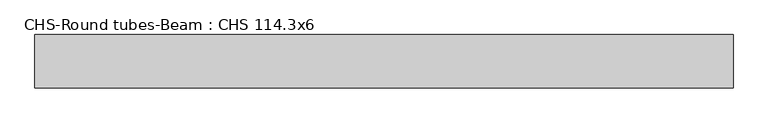
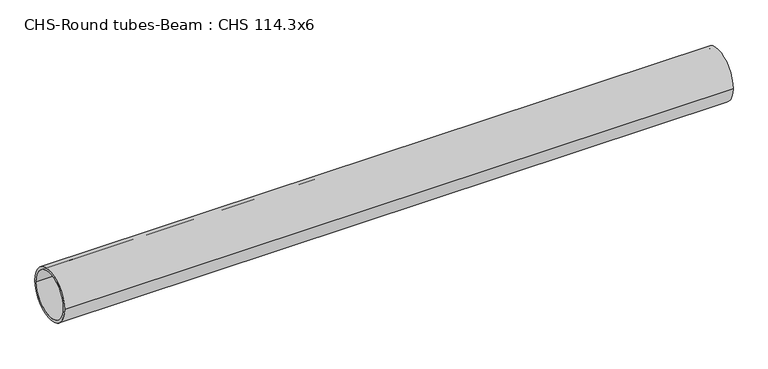
"""IFC4 building model written with IfcOpenShell, lengths in millimetres: beam geometry, CHS-Round tubes-Beam : CHS 114.3x6."""

from ifc_helpers import new_model, si_unit, point, frame, origin, origin_2d, place, context, project, spatial, circle_curve, trimmed, segment, composite_curve, outline, extrude, source, transform, mapped, element, save


def chs_round_tubes_beam_chs_114_3x6_121ddd39(model_context):
    return source(origin(), model_context, "Body", "SweptSolid", [
        extrude(outline(composite_curve([segment(trimmed(circle_curve(origin_2d(), 57.15), [point((57.15, 0.0))], [point((-57.15, 0.0))], False, "CARTESIAN"), True, "CONTINUOUS"), segment(trimmed(circle_curve(origin_2d(), 57.15), [point((-57.15, 0.0))], [point((57.15, 0.0))], False, "CARTESIAN"), True, "CONTINUOUS")], self_intersect=False), holes=[composite_curve([segment(trimmed(circle_curve(origin_2d(), 51.15), [point((51.15, 0.0))], [point((-51.15, 0.0))], True, "CARTESIAN"), True, "CONTINUOUS"), segment(trimmed(circle_curve(origin_2d(), 51.15), [point((-51.15, 0.0))], [point((51.15, 0.0))], True, "CARTESIAN"), True, "CONTINUOUS")], self_intersect=False)]), frame((-804.795315, 0.0, 0.0), z_axis=(1.0, 0.0, 0.0), x_axis=(0.0, 1.0, 0.0)), (0.0, 0.0, 1.0), 1490.0592864),
    ])


if __name__ == "__main__":
    model = new_model("IFC4")
    model_context = context("Model", 3, world=origin())
    ifc_project = project(units=[si_unit("LENGTHUNIT", "METRE", prefix="MILLI")], contexts=[model_context])
    site = spatial("IfcSite", under=ifc_project)
    building = spatial("IfcBuilding", under=site)
    placement = place(None, origin())
    chs_round_tubes_beam_chs_114_3x6_shape = chs_round_tubes_beam_chs_114_3x6_121ddd39(model_context)
    element("IfcBeam", 1, ObjectType="CHS-Round tubes-Beam : CHS 114.3x6", at=placement, inside=building, context=model_context, shape_type="MappedRepresentation", body=[
        mapped(chs_round_tubes_beam_chs_114_3x6_shape, transform((0.0, 0.0, 0.0), x_axis=(1.0, 0.0, 0.0), y_axis=(0.0, 1.0, 0.0), z_axis=(0.0, 0.0, 1.0))),
    ])
    save(model, "model.ifc")
